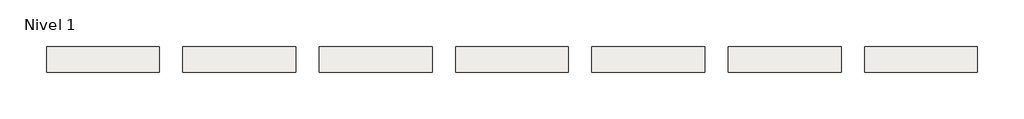
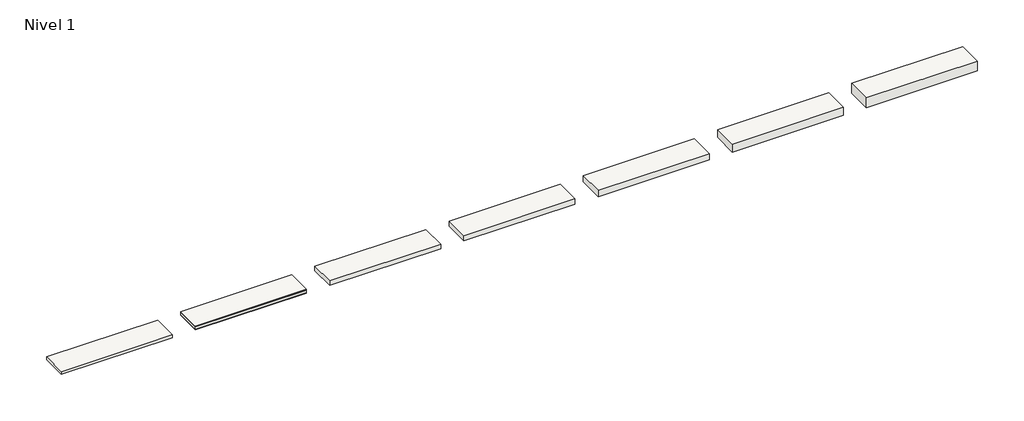
# One storey: 7 roofs.
"""IFC4 building model written with IfcOpenShell, lengths in millimetres."""

from ifc_helpers import new_model, si_unit, frame, origin, origin_with_axes, place, context, project, spatial, polyline, outline, extrude, element, save

model = new_model("IFC4")

# Units and contexts
model_context = context("Model", 3, world=origin())
ifc_project = project(units=[si_unit("LENGTHUNIT", "METRE", prefix="MILLI")], contexts=[model_context])

# Site, building, storey
site = spatial("IfcSite", under=ifc_project)
building = spatial("IfcBuilding", under=site)
storey = spatial("IfcBuildingStorey", under=building, Name="Nivel 1", Elevation=0.0)

# Roofs
placement = place(None, origin())
element("IfcRoof", 1, at=placement, inside=storey, context=model_context, shape_type="SweptSolid", body=[
    extrude(outline(polyline([(-924.6699095, -5944.5376473), (1475.3300905, -5944.5376473), (1475.3300905, -6494.5376473), (-924.6699095, -6494.5376473), (-924.6699095, -5944.5376473)])), frame((0.0, 0.0, 70.0), z_axis=(0.0, 0.0, 1.0), x_axis=(1.0, 0.0, 0.0)), (0.0, 0.0, 1.0), 12.5),
    extrude(outline(polyline([(-924.6699095, -5944.5376473), (1475.3300905, -5944.5376473), (1475.3300905, -6494.5376473), (-924.6699095, -6494.5376473), (-924.6699095, -5944.5376473)])), frame((0.0, 0.0, 10.0), z_axis=(0.0, 0.0, 1.0), x_axis=(1.0, 0.0, 0.0)), (0.0, 0.0, 1.0), 60.0),
    extrude(outline(polyline([(-924.6699095, -5944.5376473), (1475.3300905, -5944.5376473), (1475.3300905, -6494.5376473), (-924.6699095, -6494.5376473), (-924.6699095, -5944.5376473)])), origin_with_axes(), (0.0, 0.0, 1.0), 10.0),
])
element("IfcRoof", 2, at=placement, inside=storey, context=model_context, shape_type="SweptSolid", body=[
    extrude(outline(polyline([(1975.3300905, -5944.5376473), (4375.3300905, -5944.5376473), (4375.3300905, -6494.5376473), (1975.3300905, -6494.5376473), (1975.3300905, -5944.5376473)])), origin_with_axes(), (0.0, 0.0, 1.0), 102.5),
])
element("IfcRoof", 3, at=placement, inside=storey, context=model_context, shape_type="SweptSolid", body=[
    extrude(outline(polyline([(4875.3300905, -5944.5376473), (7275.3300905, -5944.5376473), (7275.3300905, -6494.5376473), (4875.3300905, -6494.5376473), (4875.3300905, -5944.5376473)])), origin_with_axes(), (0.0, 0.0, 1.0), 122.5),
])
element("IfcRoof", 4, at=placement, inside=storey, context=model_context, shape_type="SweptSolid", body=[
    extrude(outline(polyline([(7775.3300905, -5944.5376473), (10175.3300905, -5944.5376473), (10175.3300905, -6494.5376473), (7775.3300905, -6494.5376473), (7775.3300905, -5944.5376473)])), origin_with_axes(), (0.0, 0.0, 1.0), 142.5),
])
element("IfcRoof", 5, at=placement, inside=storey, context=model_context, shape_type="SweptSolid", body=[
    extrude(outline(polyline([(10675.3300905, -5944.5376473), (13075.3300905, -5944.5376473), (13075.3300905, -6494.5376473), (10675.3300905, -6494.5376473), (10675.3300905, -5944.5376473)])), origin_with_axes(), (0.0, 0.0, 1.0), 182.5),
])
element("IfcRoof", 6, at=placement, inside=storey, context=model_context, shape_type="SweptSolid", body=[
    extrude(outline(polyline([(13575.3300905, -5944.5376473), (15975.3300905, -5944.5376473), (15975.3300905, -6494.5376473), (13575.3300905, -6494.5376473), (13575.3300905, -5944.5376473)])), origin_with_axes(), (0.0, 0.0, 1.0), 222.5),
])
element("IfcRoof", 7, at=placement, inside=storey, context=model_context, shape_type="SweptSolid", body=[
    extrude(outline(polyline([(-3824.6699095, -5944.5376473), (-1424.6699095, -5944.5376473), (-1424.6699095, -6494.5376473), (-3824.6699095, -6494.5376473), (-3824.6699095, -5944.5376473)])), origin_with_axes(), (0.0, 0.0, 1.0), 62.5),
])

save(model, "model.ifc")
